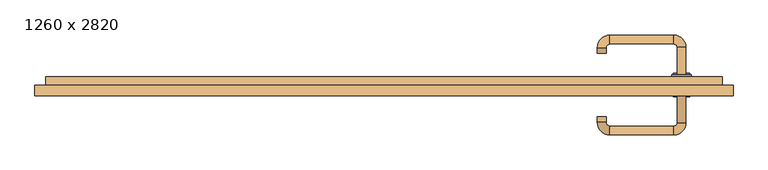
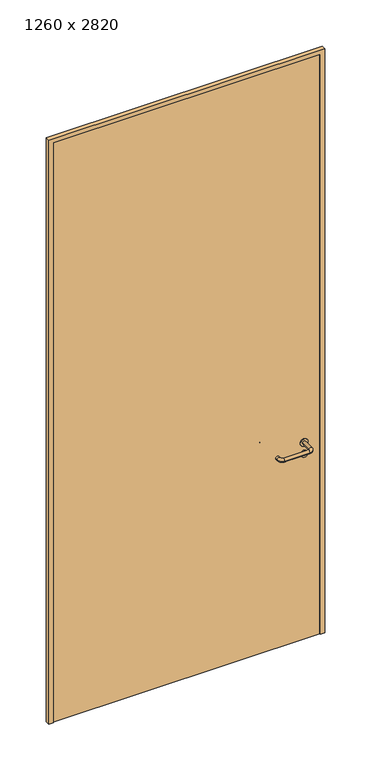
"""IFC4 building model written with IfcOpenShell, lengths in millimetres: door geometry, 1260 x 2820."""

from ifc_helpers import new_model, si_unit, point, frame, frame_2d, origin, origin_with_axes, place, context, project, spatial, polyline, circle_curve, ellipse_curve, trimmed, segment, composite_curve, outline, extrude, source, transform, mapped, element, save
from ifc_brep_helpers import plane_surface, cylinder_surface, revolved_surface, advanced_brep


def door_1260_x_2820_4afe7f5a(model_context):
    return source(origin(), model_context, "Body", "SolidModel", [
        extrude(outline(composite_curve([segment(trimmed(circle_curve(frame_2d((897.3605726, 537.0)), 15.0), [point((897.3605726, 552.0))], [point((897.3605726, 522.0))], False, "CARTESIAN"), True, "CONTINUOUS"), segment(trimmed(circle_curve(frame_2d((897.3605726, 537.0)), 15.0), [point((897.3605726, 522.0))], [point((897.3605726, 552.0))], False, "CARTESIAN"), True, "CONTINUOUS")], self_intersect=False), holes=[composite_curve([segment(trimmed(circle_curve(frame_2d((892.5833211, 536.9398032)), 2.0), [point((892.5833211, 538.9398032))], [point((892.5833211, 534.9398032))], True, "CARTESIAN"), True, "CONTINUOUS"), segment(polyline([(892.5833211, 534.9398032), (902.5833211, 534.9398032)]), True, "CONTINUOUS"), segment(trimmed(circle_curve(frame_2d((902.5833211, 536.9398032)), 2.0), [point((902.5833211, 534.9398032))], [point((902.5833211, 538.9398032))], True, "CARTESIAN"), True, "CONTINUOUS"), segment(polyline([(902.5833211, 538.9398032), (892.5833211, 538.9398032)]), True, "CONTINUOUS")], self_intersect=False)]), frame((0.0, 25.0, 0.0), z_axis=(0.0, 1.0, 0.0), x_axis=(0.0, 0.0, 1.0)), (0.0, 0.0, 1.0), 6.35),
        extrude(outline(composite_curve([segment(trimmed(circle_curve(frame_2d((950.0, 537.0)), 17.526), [point((950.0, 554.526))], [point((950.0, 519.474))], False, "CARTESIAN"), True, "CONTINUOUS"), segment(trimmed(circle_curve(frame_2d((950.0, 537.0)), 17.526), [point((950.0, 519.474))], [point((950.0, 554.526))], False, "CARTESIAN"), True, "CONTINUOUS")], self_intersect=False)), frame((0.0, 25.0, 0.0), z_axis=(0.0, 1.0, 0.0), x_axis=(0.0, 0.0, 1.0)), (0.0, 0.0, 1.0), 3.175),
        advanced_brep(
        [(545.0, 25.0, 950.0), (529.0, 25.0, 950.0), (545.0, 78.0, 950.0), (529.0, 78.0, 950.0), (522.8578644, 84.1421356, 950.0), (522.8578644, 100.1421356, 950.0), (407.8578644, 100.1421356, 950.0), (407.8578644, 84.1421356, 950.0), (401.008622, 77.2928932, 950.0), (385.008622, 77.2928932, 950.0), (385.008622, 67.2928932, 950.0), (401.008622, 67.2928932, 950.0)],
        [
            (0, 1, circle_curve(frame((537.0, 25.0, 950.0), z_axis=(0.0, -1.0, 0.0), x_axis=(-1.0, 0.0, 0.0)), 8.0)),
            (1, 0, circle_curve(frame((537.0, 25.0, 950.0), z_axis=(0.0, -1.0, 0.0), x_axis=(-1.0, 0.0, 0.0)), 8.0)),
            (0, 2),
            (2, 3, circle_curve(frame((537.0, 78.0, 950.0), z_axis=(0.0, -1.0, 0.0), x_axis=(-1.0, 0.0, 0.0)), 8.0)),
            (3, 1),
            (3, 2, circle_curve(frame((537.0, 78.0, 950.0), z_axis=(0.0, -1.0, 0.0), x_axis=(-1.0, 0.0, 0.0)), 8.0)),
            (4, 3, circle_curve(frame((522.8578644, 78.0, 950.0), z_axis=(0.0, 0.0, -1.0), x_axis=(1.0, 0.0, 0.0)), 6.1421356)),
            (2, 5, circle_curve(frame((522.8578644, 78.0, 950.0), z_axis=(0.0, 0.0, 1.0), x_axis=(1.0, 0.0, 0.0)), 22.1421356)),
            (5, 4, circle_curve(frame((522.8578644, 92.1421356, 950.0), z_axis=(1.0, 0.0, 0.0), x_axis=(0.0, -1.0, 0.0)), 8.0)),
            (4, 5, circle_curve(frame((522.8578644, 92.1421356, 950.0), z_axis=(1.0, 0.0, 0.0), x_axis=(0.0, -1.0, 0.0)), 8.0)),
            (5, 6),
            (6, 7, circle_curve(frame((407.8578644, 92.1421356, 950.0), z_axis=(1.0, 0.0, 0.0), x_axis=(0.0, -1.0, 0.0)), 8.0)),
            (7, 4),
            (7, 6, circle_curve(frame((407.8578644, 92.1421356, 950.0), z_axis=(1.0, 0.0, 0.0), x_axis=(0.0, -1.0, 0.0)), 8.0)),
            (8, 7, circle_curve(frame((407.8578644, 77.2928932, 950.0), z_axis=(0.0, 0.0, -1.0), x_axis=(0.0, 1.0, 0.0)), 6.8492424)),
            (6, 9, circle_curve(frame((407.8578644, 77.2928932, 950.0), z_axis=(0.0, 0.0, 1.0), x_axis=(0.0, 1.0, 0.0)), 22.8492424)),
            (9, 8, circle_curve(frame((393.008622, 77.2928932, 950.0), z_axis=(0.0, 1.0, 0.0), x_axis=(1.0, 0.0, 0.0)), 8.0)),
            (8, 9, circle_curve(frame((393.008622, 77.2928932, 950.0), z_axis=(0.0, 1.0, 0.0), x_axis=(1.0, 0.0, 0.0)), 8.0)),
            (10, 11, circle_curve(frame((393.008622, 67.2928932, 950.0), z_axis=(0.0, -1.0, 0.0), x_axis=(1.0, 0.0, 0.0)), 8.0)),
            (11, 10, circle_curve(frame((393.008622, 67.2928932, 950.0), z_axis=(0.0, -1.0, 0.0), x_axis=(1.0, 0.0, 0.0)), 8.0)),
            (9, 10),
            (11, 8),
        ],
        [
            plane_surface(frame((537.0, 25.0, 0.0), z_axis=(0.0, -1.0, 0.0), x_axis=(0.0, 0.0, 1.0))),
            cylinder_surface(frame((537.0, 25.0, 950.0), z_axis=(0.0, -1.0, 0.0), x_axis=(-1.0, 0.0, 0.0)), 8.0),
            revolved_surface(trimmed(ellipse_curve(frame((537.0, 78.0, 950.0), z_axis=(0.0, -1.0, 0.0), x_axis=(-1.0, 0.0, 0.0)), 8.0, 8.0), [point((545.0, 78.0, 950.0))], [point((529.0, 78.0, 950.0))], True, "CARTESIAN"), (522.8578644, 78.0, 0.0), (0.0, 0.0, 1.0)),
            revolved_surface(trimmed(ellipse_curve(frame((537.0, 78.0, 950.0), z_axis=(0.0, -1.0, 0.0), x_axis=(-1.0, 0.0, 0.0)), 8.0, 8.0), [point((529.0, 78.0, 950.0))], [point((545.0, 78.0, 950.0))], True, "CARTESIAN"), (522.8578644, 78.0, 0.0), (0.0, 0.0, 1.0)),
            cylinder_surface(frame((522.8578644, 92.1421356, 950.0), z_axis=(1.0, 0.0, 0.0), x_axis=(0.0, -1.0, 0.0)), 8.0),
            revolved_surface(trimmed(ellipse_curve(frame((407.8578644, 92.1421356, 950.0), z_axis=(1.0, 0.0, 0.0), x_axis=(0.0, -1.0, 0.0)), 8.0, 8.0), [point((407.8578644, 100.1421356, 950.0))], [point((407.8578644, 84.1421356, 950.0))], True, "CARTESIAN"), (407.8578644, 77.2928932, 0.0), (0.0, 0.0, 1.0)),
            revolved_surface(trimmed(ellipse_curve(frame((407.8578644, 92.1421356, 950.0), z_axis=(1.0, 0.0, 0.0), x_axis=(0.0, -1.0, 0.0)), 8.0, 8.0), [point((407.8578644, 84.1421356, 950.0))], [point((407.8578644, 100.1421356, 950.0))], True, "CARTESIAN"), (407.8578644, 77.2928932, 0.0), (0.0, 0.0, 1.0)),
            plane_surface(frame((393.008622, 67.2928932, 0.0), z_axis=(0.0, -1.0, 0.0), x_axis=(0.0, 0.0, 1.0))),
            cylinder_surface(frame((393.008622, 77.2928932, 950.0), z_axis=(0.0, 1.0, 0.0), x_axis=(1.0, 0.0, 0.0)), 8.0),
        ],
        [
            (0, [[1, 2]]),
            (1, [[-1, 3, 4, 5]]),
            (1, [[-2, -5, 6, -3]]),
            (2, [[7, -4, 8, 9]]),
            (3, [[-8, -6, -7, 10]]),
            (4, [[-9, 11, 12, 13]]),
            (4, [[-10, -13, 14, -11]]),
            (5, [[15, -12, 16, 17]]),
            (6, [[-16, -14, -15, 18]]),
            (7, [[19, 20]]),
            (8, [[-17, 21, -20, 22]]),
            (8, [[-18, -22, -19, -21]]),
        ],
    ),
        extrude(outline(composite_curve([segment(trimmed(circle_curve(frame_2d((0.0, 15.0)), 15.0), [point((0.0, 30.0))], [point((0.0, 0.0))], False, "CARTESIAN"), True, "CONTINUOUS"), segment(trimmed(circle_curve(frame_2d((0.0, 15.0)), 15.0), [point((0.0, 0.0))], [point((0.0, 30.0))], False, "CARTESIAN"), True, "CONTINUOUS")], self_intersect=False), holes=[composite_curve([segment(trimmed(circle_curve(frame_2d((-4.7772515, 14.9398032)), 2.0), [point((-4.7772515, 16.9398032))], [point((-4.7772515, 12.9398032))], True, "CARTESIAN"), True, "CONTINUOUS"), segment(polyline([(-4.7772515, 12.9398032), (5.2227485, 12.9398032)]), True, "CONTINUOUS"), segment(trimmed(circle_curve(frame_2d((5.2227485, 14.9398032)), 2.0), [point((5.2227485, 12.9398032))], [point((5.2227485, 16.9398032))], True, "CARTESIAN"), True, "CONTINUOUS"), segment(polyline([(5.2227485, 16.9398032), (-4.7772515, 16.9398032)]), True, "CONTINUOUS")], self_intersect=False)]), frame((522.0, -11.35, 897.3605726), z_axis=(-1.8870575173328306e-12, 1.0, 0.0), x_axis=(0.0, 0.0, 1.0)), (0.0, 0.0, 1.0), 6.35),
        extrude(outline(composite_curve([segment(trimmed(circle_curve(frame_2d((0.0, 17.526)), 17.526), [point((0.0, 35.052))], [point((0.0, 0.0))], False, "CARTESIAN"), True, "CONTINUOUS"), segment(trimmed(circle_curve(frame_2d((0.0, 17.526)), 17.526), [point((0.0, 0.0))], [point((0.0, 35.052))], False, "CARTESIAN"), True, "CONTINUOUS")], self_intersect=False)), frame((519.474, -8.175, 950.0), z_axis=(-1.8870575173328306e-12, 1.0, 0.0), x_axis=(0.0, 0.0, 1.0)), (0.0, 0.0, 1.0), 3.175),
        advanced_brep(
        [(545.0, -5.0, 950.0), (529.0, -5.0, 950.0), (529.0, -58.0, 950.0), (545.0, -58.0, 950.0), (522.8578644, -64.1421356, 950.0), (522.8578644, -80.1421356, 950.0), (407.8578644, -64.1421356, 950.0), (407.8578644, -80.1421356, 950.0), (401.008622, -57.2928932, 950.0), (385.008622, -57.2928932, 950.0), (385.008622, -47.2928932, 950.0), (401.008622, -47.2928932, 950.0)],
        [
            (0, 1, circle_curve(frame((537.0, -5.0, 950.0), z_axis=(-1.888672253512351e-12, 1.0, 0.0), x_axis=(-1.0, -1.888672253512351e-12, 0.0)), 8.0)),
            (1, 0, circle_curve(frame((537.0, -5.0, 950.0), z_axis=(-1.888672253512351e-12, 1.0, 0.0), x_axis=(-1.0, -1.888672253512351e-12, 0.0)), 8.0)),
            (1, 2),
            (2, 3, circle_curve(frame((537.0, -58.0, 950.0), z_axis=(-1.888672253512351e-12, 1.0, 0.0), x_axis=(-1.0, -1.888672253512351e-12, 0.0)), 8.0)),
            (3, 0),
            (3, 2, circle_curve(frame((537.0, -58.0, 950.0), z_axis=(-1.888672253512351e-12, 1.0, 0.0), x_axis=(-1.0, -1.888672253512351e-12, 0.0)), 8.0)),
            (4, 5, circle_curve(frame((522.8578644, -72.1421356, 950.0), z_axis=(1.0, 1.913702061528922e-12, 0.0), x_axis=(-1.913702061528922e-12, 1.0, 0.0)), 8.0)),
            (5, 3, circle_curve(frame((522.8578644, -58.0, 950.0), z_axis=(0.0, 0.0, 1.0), x_axis=(1.0, 1.880717803715015e-12, 0.0)), 22.1421356)),
            (2, 4, circle_curve(frame((522.8578644, -58.0, 950.0), z_axis=(0.0, 0.0, -1.0), x_axis=(1.0, 1.880717803715015e-12, 0.0)), 6.1421356)),
            (5, 4, circle_curve(frame((522.8578644, -72.1421356, 950.0), z_axis=(1.0, 1.913702061528922e-12, 0.0), x_axis=(-1.913702061528922e-12, 1.0, 0.0)), 8.0)),
            (4, 6),
            (6, 7, circle_curve(frame((407.8578644, -72.1421356, 950.0), z_axis=(1.0, 1.913719828541269e-12, 0.0), x_axis=(-1.913719828541269e-12, 1.0, 0.0)), 8.0)),
            (7, 5),
            (7, 6, circle_curve(frame((407.8578644, -72.1421356, 950.0), z_axis=(1.0, 1.913719828541269e-12, 0.0), x_axis=(-1.913719828541269e-12, 1.0, 0.0)), 8.0)),
            (8, 9, circle_curve(frame((393.008622, -57.2928932, 950.0), z_axis=(1.8888942981172756e-12, -1.0, 0.0), x_axis=(1.0, 1.8888942981172756e-12, 0.0)), 8.0)),
            (9, 7, circle_curve(frame((407.8578644, -57.2928932, 950.0), z_axis=(0.0, 0.0, 1.0), x_axis=(1.9120873253494017e-12, -1.0, 0.0)), 22.8492424)),
            (6, 8, circle_curve(frame((407.8578644, -57.2928932, 950.0), z_axis=(0.0, 0.0, -1.0), x_axis=(1.9120873253494017e-12, -1.0, 0.0)), 6.8492424)),
            (9, 8, circle_curve(frame((393.008622, -57.2928932, 950.0), z_axis=(1.890448610351751e-12, -1.0, 0.0), x_axis=(1.0, 1.890448610351751e-12, 0.0)), 8.0)),
            (10, 11, circle_curve(frame((393.008622, -47.2928932, 950.0), z_axis=(-1.8903642334018795e-12, 1.0, 0.0), x_axis=(1.0, 1.8903642334018795e-12, 0.0)), 8.0)),
            (11, 10, circle_curve(frame((393.008622, -47.2928932, 950.0), z_axis=(-1.8903642334018795e-12, 1.0, 0.0), x_axis=(1.0, 1.8903642334018795e-12, 0.0)), 8.0)),
            (8, 11),
            (10, 9),
        ],
        [
            plane_surface(frame((537.0, -5.0, 0.0), z_axis=(-1.8870575173328306e-12, 1.0, 0.0), x_axis=(0.0, 0.0, 1.0))),
            cylinder_surface(frame((537.0, -5.0, 950.0), z_axis=(-1.888672253512351e-12, 1.0, 0.0), x_axis=(-1.0, -1.888672253512351e-12, 0.0)), 8.0),
            revolved_surface(trimmed(ellipse_curve(frame((537.0, -58.0, 950.0), z_axis=(1.8823325398945356e-12, -1.0, 0.0), x_axis=(-1.0, -1.8823325398945356e-12, 0.0)), 8.0, 8.0), [point((545.0, -58.0, 950.0))], [point((529.0, -58.0, 950.0))], True, "CARTESIAN"), (522.8578644, -58.0, 0.0), (0.0, 0.0, 1.0)),
            revolved_surface(trimmed(ellipse_curve(frame((537.0, -58.0, 950.0), z_axis=(1.8823325398945356e-12, -1.0, 0.0), x_axis=(-1.0, -1.8823325398945356e-12, 0.0)), 8.0, 8.0), [point((529.0, -58.0, 950.0))], [point((545.0, -58.0, 950.0))], True, "CARTESIAN"), (522.8578644, -58.0, 0.0), (0.0, 0.0, 1.0)),
            cylinder_surface(frame((522.8578644, -72.1421356, 950.0), z_axis=(1.0, 1.913719828541269e-12, 0.0), x_axis=(-1.913719828541269e-12, 1.0, 0.0)), 8.0),
            revolved_surface(trimmed(ellipse_curve(frame((407.8578644, -72.1421356, 950.0), z_axis=(-1.0, -1.913702061528922e-12, 0.0), x_axis=(-1.913702061528922e-12, 1.0, 0.0)), 8.0, 8.0), [point((407.8578644, -80.1421356, 950.0))], [point((407.8578644, -64.1421356, 950.0))], True, "CARTESIAN"), (407.8578644, -57.2928932, 0.0), (0.0, 0.0, 1.0)),
            revolved_surface(trimmed(ellipse_curve(frame((407.8578644, -72.1421356, 950.0), z_axis=(-1.0, -1.913702061528922e-12, 0.0), x_axis=(-1.913702061528922e-12, 1.0, 0.0)), 8.0, 8.0), [point((407.8578644, -64.1421356, 950.0))], [point((407.8578644, -80.1421356, 950.0))], True, "CARTESIAN"), (407.8578644, -57.2928932, 0.0), (0.0, 0.0, 1.0)),
            plane_surface(frame((393.008622, -47.2928932, 0.0), z_axis=(-1.8887494972223595e-12, 1.0, 0.0), x_axis=(0.0, 0.0, 1.0))),
            cylinder_surface(frame((393.008622, -57.2928932, 950.0), z_axis=(1.8903642334018795e-12, -1.0, 0.0), x_axis=(1.0, 1.8903642334018795e-12, 0.0)), 8.0),
        ],
        [
            (0, [[1, 2]]),
            (1, [[3, 4, 5, -2]]),
            (1, [[-5, 6, -3, -1]]),
            (2, [[7, 8, -4, 9]]),
            (3, [[10, -9, -6, -8]]),
            (4, [[11, 12, 13, -7]]),
            (4, [[-13, 14, -11, -10]]),
            (5, [[15, 16, -12, 17]]),
            (6, [[18, -17, -14, -16]]),
            (7, [[19, 20]]),
            (8, [[21, -19, 22, -15]]),
            (8, [[-22, -20, -21, -18]]),
        ],
    ),
        extrude(outline(polyline([(2800.0, 610.0), (0.0, 610.0), (0.0, 630.0), (2820.0, 630.0), (2820.0, -630.0), (0.0, -630.0), (0.0, -610.0), (2800.0, -610.0), (2800.0, 610.0)])), frame((0.0, -10.0, 0.0), z_axis=(0.0, 1.0, 0.0), x_axis=(0.0, 0.0, 1.0)), (0.0, 0.0, 1.0), 19.0),
        extrude(outline(polyline([(-610.0, -5.0), (-610.0, 25.0), (610.0, 25.0), (610.0, -5.0), (-610.0, -5.0)])), origin_with_axes(), (0.0, 0.0, 1.0), 2800.0),
    ])


if __name__ == "__main__":
    model = new_model("IFC4")
    model_context = context("Model", 3, world=origin())
    ifc_project = project(units=[si_unit("LENGTHUNIT", "METRE", prefix="MILLI")], contexts=[model_context])
    site = spatial("IfcSite", under=ifc_project)
    building = spatial("IfcBuilding", under=site)
    placement = place(None, origin())
    door_1260_x_2820_shape = door_1260_x_2820_4afe7f5a(model_context)
    element("IfcDoor", 1, ObjectType="1260 x 2820", at=placement, inside=building, context=model_context, shape_type="MappedRepresentation", body=[
        mapped(door_1260_x_2820_shape, transform((0.0, 0.0, 0.0), x_axis=(1.0, 0.0, 0.0), y_axis=(0.0, 1.0, 0.0), z_axis=(0.0, 0.0, 1.0))),
    ])
    save(model, "model.ifc")
